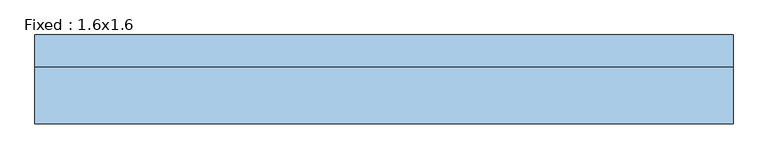
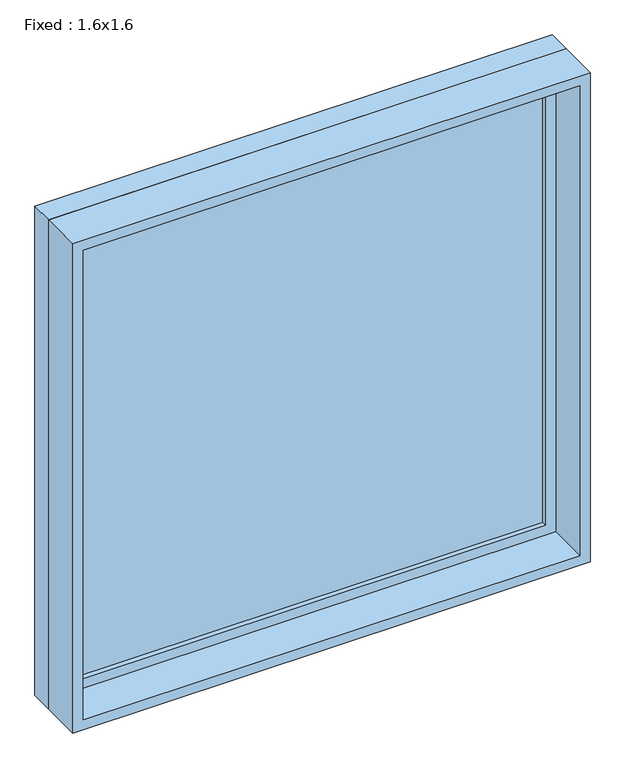
"""IFC4 building model written with IfcOpenShell, lengths in millimetres: window geometry, Fixed : 1.6x1.6."""

import ifcopenshell
import ifcopenshell.guid

model = None  # the IFC model being written
_history = None  # IfcOwnerHistory: only IFC2X3 demands one
_inside = {}  # id of a spatial element -> (the spatial element, [elements in it])
_under = {}  # id of a project, library or spatial element -> (it, [spatial elements below it])
_declared = {}  # id of a project -> (the project, [libraries it declares])
_typed = {}  # id of a type object -> (the type object, [elements of that type])
_made_of = {}  # id of a material, layer set ... -> (it, [elements and type objects made of it])


def new_model(schema):
    """Start an empty IFC model of exactly this schema.

    Asked for "IFC4X3", IfcOpenShell would pick the latest addendum, in which some entities
    have other attributes; the version numbers below select the first issue.
    IFC2X3 requires an IfcOwnerHistory on every rooted entity: one is made here for all.
    """
    global model, _history
    if schema == "IFC4X3":
        model = ifcopenshell.file(schema_version=(4, 3, 0, 0))
    else:
        model = ifcopenshell.file(schema=schema)
    _inside.clear()
    _under.clear()
    _declared.clear()
    _typed.clear()
    _made_of.clear()
    _history = None
    if model.schema == "IFC2X3":
        org = make("IfcOrganization", Name="unknown")
        user = make(
            "IfcPersonAndOrganization",
            ThePerson=make("IfcPerson", FamilyName="unknown"),
            TheOrganization=org,
        )
        app = make(
            "IfcApplication",
            ApplicationDeveloper=org,
            Version="unknown",
            ApplicationFullName="unknown",
            ApplicationIdentifier="unknown",
        )
        _history = make(
            "IfcOwnerHistory",
            OwningUser=user,
            OwningApplication=app,
            ChangeAction="ADDED",
            CreationDate=0,
        )
    return model


def make(cls, **values):
    """One entity of the class cls with the attributes given. An attribute that is None is left unset."""
    return model.create_entity(
        cls, **{name: value for name, value in values.items() if value is not None}
    )


def rooted(cls, **values):
    """An entity with a GlobalId (a new one), such as an element, a storey or a relation."""
    return make(cls, GlobalId=ifcopenshell.guid.new(), OwnerHistory=_history, **values)


def si_unit(unit_type, name, prefix=None):
    """IfcSIUnit, for example si_unit("LENGTHUNIT", "METRE", prefix="MILLI")."""
    return make("IfcSIUnit", UnitType=unit_type, Prefix=prefix, Name=name)


def assignment(units):
    """IfcUnitAssignment: the units of a project."""
    return None if units is None else make("IfcUnitAssignment", Units=units)


def point(xyz):
    """IfcCartesianPoint."""
    return None if xyz is None else make("IfcCartesianPoint", Coordinates=xyz)


def direction(xyz):
    """IfcDirection."""
    return None if xyz is None else make("IfcDirection", DirectionRatios=xyz)


def frame(location, z_axis=None, x_axis=None):
    """IfcAxis2Placement3D, a coordinate frame: its origin and axes. An axis left out is left unset."""
    return make(
        "IfcAxis2Placement3D",
        Location=point(location),
        Axis=direction(z_axis),
        RefDirection=direction(x_axis),
    )


def origin():
    """The frame at (0, 0, 0) with its axes left unset."""
    return frame((0.0, 0.0, 0.0))


def place(relative_to, where):
    """IfcLocalPlacement: puts the frame where relative to a parent placement (None: the world)."""
    return make(
        "IfcLocalPlacement", PlacementRelTo=relative_to, RelativePlacement=where
    )


def context(
    kind, dimensions, precision=None, world=None, true_north=None, identifier=None
):
    """IfcGeometricRepresentationContext, for example the 3D "Model" context."""
    return make(
        "IfcGeometricRepresentationContext",
        ContextIdentifier=identifier,
        ContextType=kind,
        CoordinateSpaceDimension=dimensions,
        Precision=precision,
        WorldCoordinateSystem=world,
        TrueNorth=true_north,
    )


def project(units=None, contexts=None):
    """IfcProject with its units and contexts."""
    return rooted(
        "IfcProject",
        Name="project",
        RepresentationContexts=contexts,
        UnitsInContext=assignment(units),
    )


def spatial(cls, under=None, at=None, **own):
    """A site, building, storey or space (cls), placed at a placement, below another one or the project."""
    s = rooted(cls, ObjectPlacement=at, **own)
    if under is not None:
        _under.setdefault(under.id(), (under, []))[1].append(s)
    return s


def polyline(points):
    """IfcPolyline through the points."""
    return make("IfcPolyline", Points=[point(p) for p in points])


def outline(outer, holes=None, kind="AREA"):
    """IfcArbitraryClosedProfileDef: a profile drawn as a closed curve; with holes, ...WithVoids."""
    if holes is None:
        return make("IfcArbitraryClosedProfileDef", ProfileType=kind, OuterCurve=outer)
    return make(
        "IfcArbitraryProfileDefWithVoids",
        ProfileType=kind,
        OuterCurve=outer,
        InnerCurves=holes,
    )


def extrude(swept, where, along, depth):
    """IfcExtrudedAreaSolid: the profile swept, set in the frame where, extruded along a direction by depth."""
    return make(
        "IfcExtrudedAreaSolid",
        SweptArea=swept,
        Position=where,
        ExtrudedDirection=direction(along),
        Depth=depth,
    )


def shape(context_of_items, identifier, shape_type, items):
    """IfcShapeRepresentation: the items that make up one representation, for example the "Body"."""
    return make(
        "IfcShapeRepresentation",
        ContextOfItems=context_of_items,
        RepresentationIdentifier=identifier,
        RepresentationType=shape_type,
        Items=items,
    )


def source(mapping_origin, context_of_items, identifier, shape_type, items):
    """IfcRepresentationMap: a shape defined once, which mapped items show again and again."""
    return make(
        "IfcRepresentationMap",
        MappingOrigin=mapping_origin,
        MappedRepresentation=shape(context_of_items, identifier, shape_type, items),
    )


def transform(
    local_origin,
    x_axis=None,
    y_axis=None,
    z_axis=None,
    scale=None,
    scale2=None,
    scale3=None,
    uniform=True,
):
    """IfcCartesianTransformationOperator3D, or its non-uniform kind. x_axis, y_axis, z_axis: its Axis1, 2, 3."""
    if uniform:
        return make(
            "IfcCartesianTransformationOperator3D",
            Axis1=direction(x_axis),
            Axis2=direction(y_axis),
            LocalOrigin=point(local_origin),
            Scale=scale,
            Axis3=direction(z_axis),
        )
    return make(
        "IfcCartesianTransformationOperator3DnonUniform",
        Axis1=direction(x_axis),
        Axis2=direction(y_axis),
        LocalOrigin=point(local_origin),
        Scale=scale,
        Axis3=direction(z_axis),
        Scale2=scale2,
        Scale3=scale3,
    )


def mapped(mapping_source, mapping_target):
    """IfcMappedItem: shows the shape of a source again, moved by a transform."""
    return make(
        "IfcMappedItem", MappingSource=mapping_source, MappingTarget=mapping_target
    )


def made_of(thing, what):
    """Note that an element or type object is made of a material, layer set ...; save() writes the relation."""
    if what is not None:
        _made_of.setdefault(what.id(), (what, []))[1].append(thing)
    return thing


def element(
    cls,
    number,
    at=None,
    inside=None,
    cuts=None,
    type_object=None,
    material=None,
    context=None,
    identifier="Body",
    shape_type=None,
    held_by="IfcProductDefinitionShape",
    body=None,
    shapes=None,
    **own,
):
    """One element of the class cls, such as IfcWall. Its Tag is "e" and its number.

    at: its placement. inside: the storey or other place that contains it. cuts: it is an
    opening in that element (IfcRelVoidsElement). A single representation is given by context,
    identifier, shape_type and body (its items); several are given by shapes. held_by: the class
    of the entity that holds the representations. save() writes the other relations.
    """
    e = rooted(cls, Tag="e%d" % number, ObjectPlacement=at, **own)
    if body is not None:
        shapes = [shape(context, identifier, shape_type, body)]
    if shapes is not None:
        e.Representation = make(held_by, Representations=shapes)
    if inside is not None:
        _inside.setdefault(inside.id(), (inside, []))[1].append(e)
    if cuts is not None:
        rooted(
            "IfcRelVoidsElement", RelatingBuildingElement=cuts, RelatedOpeningElement=e
        )
    if type_object is not None:
        _typed.setdefault(type_object.id(), (type_object, []))[1].append(e)
    return made_of(e, material)


def aggregate(whole, parts):
    """IfcRelAggregates: a whole, such as a stair, and the parts it consists of."""
    return rooted("IfcRelAggregates", RelatingObject=whole, RelatedObjects=parts)


def save(model, path):
    """Write the relations noted so far, then the file.

    IfcRelAggregates (storeys below a building ...), IfcRelContainedInSpatialStructure (elements
    in a storey), IfcRelDefinesByType, IfcRelAssociatesMaterial and IfcRelDeclares: one each for
    every whole, place, type object, material and project.
    """
    for whole, parts in _under.values():
        aggregate(whole, parts)
    for where, things in _inside.values():
        rooted(
            "IfcRelContainedInSpatialStructure",
            RelatedElements=things,
            RelatingStructure=where,
        )
    for kind, things in _typed.values():
        rooted("IfcRelDefinesByType", RelatedObjects=things, RelatingType=kind)
    for what, things in _made_of.values():
        rooted("IfcRelAssociatesMaterial", RelatedObjects=things, RelatingMaterial=what)
    for by, libraries in _declared.values():
        rooted("IfcRelDeclares", RelatingContext=by, RelatedDefinitions=libraries)
    model.write(path)


def fixed_1_6x1_6_59f2513c(model_context):
    return source(origin(), model_context, "Body", "SweptSolid", [
        extrude(outline(polyline([(698.4, 43.025), (-774.6, 43.025), (-774.6, 55.725), (698.4, 55.725), (698.4, 43.025)])), frame((0.0, 0.0, 1063.5), z_axis=(0.0, 0.0, 1.0), x_axis=(1.0, 0.0, 0.0)), (0.0, 0.0, 1.0), 1473.0),
        extrude(outline(polyline([(2580.95, -819.05), (1019.05, -819.05), (1019.05, 742.85), (2580.95, 742.85), (2580.95, -819.05)]), holes=[polyline([(2536.5, -774.6), (2536.5, 698.4), (1063.5, 698.4), (1063.5, -774.6), (2536.5, -774.6)])]), frame((0.0, 27.15, 0.0), z_axis=(0.0, 1.0, 0.0), x_axis=(0.0, 0.0, 1.0)), (0.0, 0.0, 1.0), 44.45),
        extrude(outline(polyline([(2600.0, -838.1), (1000.0, -838.1), (1000.0, 761.9), (2600.0, 761.9), (2600.0, -838.1)]), holes=[polyline([(2568.25, -806.35), (2568.25, 730.15), (1031.75, 730.15), (1031.75, -806.35), (2568.25, -806.35)])]), frame((0.0, -101.6, 0.0), z_axis=(0.0, 1.0, 0.0), x_axis=(0.0, 0.0, 1.0)), (0.0, 0.0, 1.0), 128.75),
        extrude(outline(polyline([(2600.0, 761.9), (2600.0, -838.1), (1000.0, -838.1), (1000.0, 761.9), (2600.0, 761.9)]), holes=[polyline([(2580.95, 742.85), (1019.05, 742.85), (1019.05, -819.05), (2580.95, -819.05), (2580.95, 742.85)])]), frame((0.0, 27.15, 0.0), z_axis=(0.0, 1.0, 0.0), x_axis=(0.0, 0.0, 1.0)), (0.0, 0.0, 1.0), 74.45),
    ])


if __name__ == "__main__":
    model = new_model("IFC4")
    model_context = context("Model", 3, world=origin())
    ifc_project = project(units=[si_unit("LENGTHUNIT", "METRE", prefix="MILLI")], contexts=[model_context])
    site = spatial("IfcSite", under=ifc_project)
    building = spatial("IfcBuilding", under=site)
    placement = place(None, origin())
    fixed_1_6x1_6_shape = fixed_1_6x1_6_59f2513c(model_context)
    element("IfcWindow", 1, ObjectType="Fixed : 1.6x1.6", at=placement, inside=building, context=model_context, shape_type="MappedRepresentation", body=[
        mapped(fixed_1_6x1_6_shape, transform((0.0, 0.0, 0.0), x_axis=(1.0, 0.0, 0.0), y_axis=(0.0, 1.0, 0.0), z_axis=(0.0, 0.0, 1.0))),
    ])
    save(model, "model.ifc")
